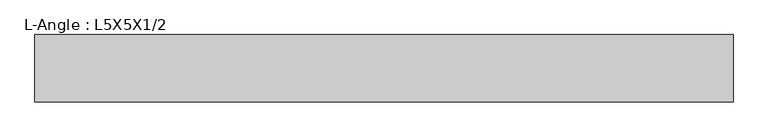
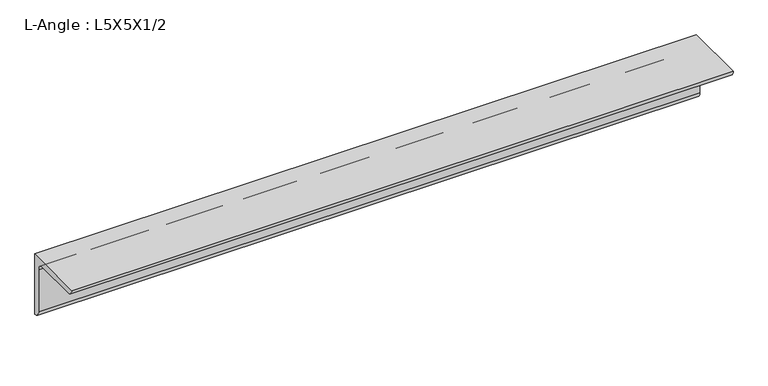
"""IFC4 building model written with IfcOpenShell, lengths in millimetres: beam geometry, L-Angle : L5X5X1/2."""

from ifc_helpers import new_model, si_unit, point, frame, frame_2d, origin, place, context, project, spatial, polyline, circle_curve, trimmed, segment, composite_curve, outline, extrude, source, transform, mapped, element, save


def l_angle_l5x5x1_2_c6534ee8(model_context):
    return source(origin(), model_context, "Body", "SweptSolid", [
        extrude(outline(composite_curve([segment(polyline([(36.068, 36.068), (36.068, -90.932)]), True, "CONTINUOUS"), segment(trimmed(circle_curve(frame_2d((36.068, -78.232)), 12.7), [point((36.068, -90.932))], [point((23.368, -78.232))], False, "CARTESIAN"), True, "CONTINUOUS"), segment(polyline([(23.368, -78.232), (23.368, 10.668)]), True, "CONTINUOUS"), segment(trimmed(circle_curve(frame_2d((10.668, 10.668)), 12.7), [point((23.368, 10.668))], [point((10.668, 23.368))], True, "CARTESIAN"), True, "CONTINUOUS"), segment(polyline([(10.668, 23.368), (-78.232, 23.368)]), True, "CONTINUOUS"), segment(trimmed(circle_curve(frame_2d((-78.232, 36.068)), 12.7), [point((-78.232, 23.368))], [point((-90.932, 36.068))], False, "CARTESIAN"), True, "CONTINUOUS"), segment(polyline([(-90.932, 36.068), (36.068, 36.068)]), True, "CONTINUOUS")], self_intersect=False)), frame((-629.2110682, 0.0, 0.0), z_axis=(1.0, 0.0, 0.0), x_axis=(0.0, 1.0, 0.0)), (0.0, 0.0, 1.0), 1316.6499427),
    ])


if __name__ == "__main__":
    model = new_model("IFC4")
    model_context = context("Model", 3, world=origin())
    ifc_project = project(units=[si_unit("LENGTHUNIT", "METRE", prefix="MILLI")], contexts=[model_context])
    site = spatial("IfcSite", under=ifc_project)
    building = spatial("IfcBuilding", under=site)
    placement = place(None, origin())
    l_angle_l5x5x1_2_shape = l_angle_l5x5x1_2_c6534ee8(model_context)
    element("IfcBeam", 1, ObjectType="L-Angle : L5X5X1/2", at=placement, inside=building, context=model_context, shape_type="MappedRepresentation", body=[
        mapped(l_angle_l5x5x1_2_shape, transform((0.0, 0.0, 0.0), x_axis=(1.0, 0.0, 0.0), y_axis=(0.0, 1.0, 0.0), z_axis=(0.0, 0.0, 1.0))),
    ])
    save(model, "model.ifc")
